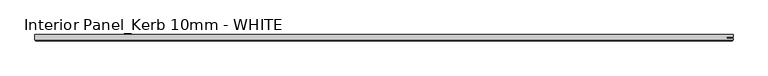
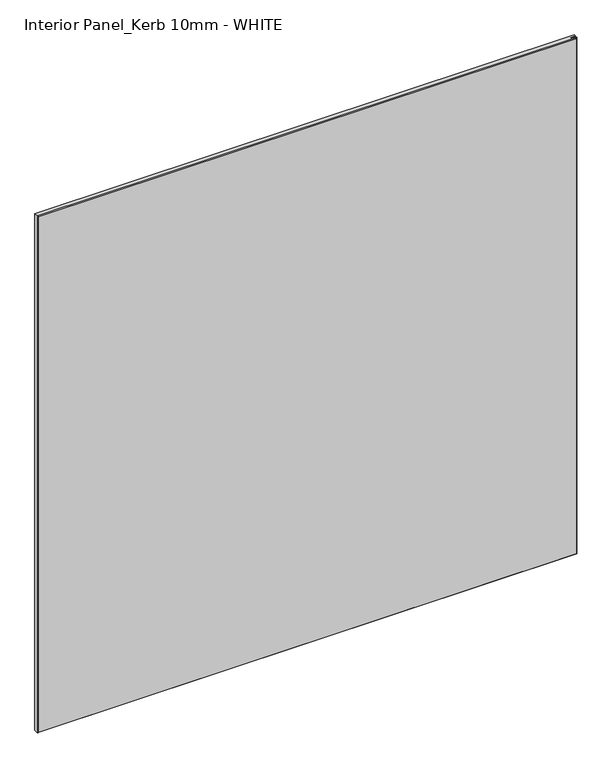
"""IFC4 building model written with IfcOpenShell, lengths in millimetres: proxy geometry, Interior Panel_Kerb 10mm - WHITE."""

from ifc_helpers import new_model, si_unit, origin, place, context, project, spatial, faceted_brep, source, transform, mapped, element, save


def interior_panel_kerb_10mm_white_c0400577(model_context):
    return source(origin(), model_context, "Body", "Brep", [
        faceted_brep([(990.6, 3.175, 1076.325), (-73.025, 3.175, 1076.325), (-73.025, -4.7625, 1076.325), (990.6, -4.7625, 1076.325), (990.6, -2.6543, 1076.325), (980.7773437, -2.6543, 1076.325), (980.7773437, -0.5207, 1076.325), (990.6, -0.5207, 1076.325), (990.6, 3.175, 0.0), (990.6, -0.5207, 0.0), (980.7773437, -0.5207, 0.0), (980.7773437, -2.6543, 0.0), (990.6, -2.6543, 0.0), (990.6, -4.7625, 0.0), (-73.025, -4.7625, 0.0), (-73.025, 3.175, 0.0), (-71.4375, -6.35, 1074.7375), (-71.4375, -6.35, 1.5875), (989.0125, -6.35, 1.5875), (989.0125, -6.35, 1074.7375)], [[[0, 1, 2, 3, 4, 5, 6, 7]], [[8, 9, 10, 11, 12, 13, 14, 15]], [[1, 0, 8, 15]], [[2, 1, 15, 14]], [[16, 17, 18, 19]], [[4, 3, 13, 12]], [[2, 14, 17, 16]], [[13, 3, 19, 18]], [[3, 2, 16, 19]], [[14, 13, 18, 17]], [[5, 4, 12, 11]], [[6, 5, 11, 10]], [[7, 6, 10, 9]], [[0, 7, 9, 8]]]),
    ])


if __name__ == "__main__":
    model = new_model("IFC4")
    model_context = context("Model", 3, world=origin())
    ifc_project = project(units=[si_unit("LENGTHUNIT", "METRE", prefix="MILLI")], contexts=[model_context])
    site = spatial("IfcSite", under=ifc_project)
    building = spatial("IfcBuilding", under=site)
    placement = place(None, origin())
    interior_panel_kerb_10mm_white_shape = interior_panel_kerb_10mm_white_c0400577(model_context)
    element("IfcBuildingElementProxy", 1, Name="Interior Panel_Kerb 10mm - WHITE", ObjectType="Interior Panel_Kerb 10mm - WHITE", at=placement, inside=building, context=model_context, shape_type="MappedRepresentation", body=[
        mapped(interior_panel_kerb_10mm_white_shape, transform((0.0, 0.0, 0.0), x_axis=(1.0, 0.0, 0.0), y_axis=(0.0, 1.0, 0.0), z_axis=(0.0, 0.0, 1.0))),
    ])
    save(model, "model.ifc")
